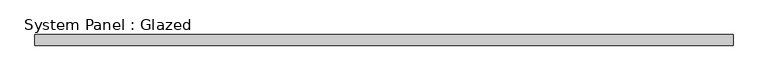
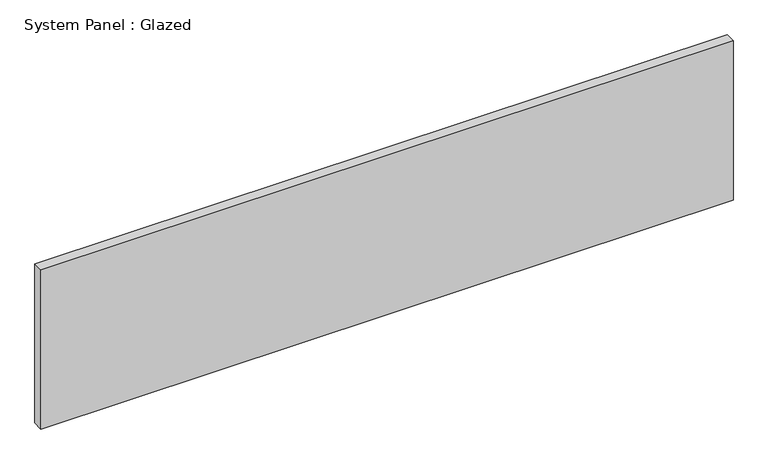
"""IFC4 building model written with IfcOpenShell, lengths in millimetres: plate geometry, System Panel : Glazed."""

from ifc_helpers import new_model, si_unit, origin, origin_with_axes, place, context, project, spatial, polyline, outline, extrude, source, transform, mapped, element, save


def system_panel_glazed_89b87264(model_context):
    return source(origin(), model_context, "Body", "SweptSolid", [
        extrude(outline(polyline([(821.5, -37.5), (-821.5, -37.5), (-821.5, -12.5), (821.5, -12.5), (821.5, -37.5)])), origin_with_axes(), (0.0, 0.0, 1.0), 400.0),
    ])


if __name__ == "__main__":
    model = new_model("IFC4")
    model_context = context("Model", 3, world=origin())
    ifc_project = project(units=[si_unit("LENGTHUNIT", "METRE", prefix="MILLI")], contexts=[model_context])
    site = spatial("IfcSite", under=ifc_project)
    building = spatial("IfcBuilding", under=site)
    placement = place(None, origin())
    system_panel_glazed_shape = system_panel_glazed_89b87264(model_context)
    element("IfcPlate", 1, ObjectType="System Panel : Glazed", at=placement, inside=building, context=model_context, shape_type="MappedRepresentation", body=[
        mapped(system_panel_glazed_shape, transform((0.0, 0.0, 0.0), x_axis=(1.0, 0.0, 0.0), y_axis=(0.0, 1.0, 0.0), z_axis=(0.0, 0.0, 1.0))),
    ])
    save(model, "model.ifc")
